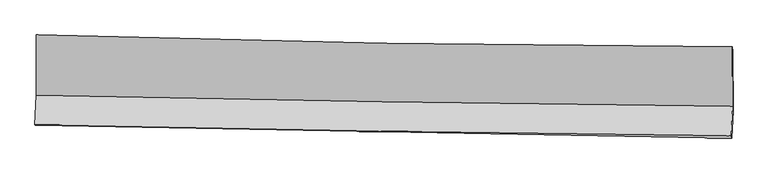
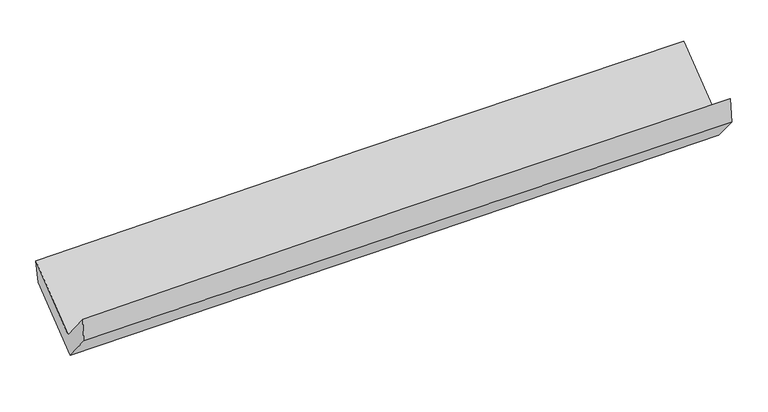
"""IFC4 building model written with IfcOpenShell, lengths in millimetres: proxy geometry."""

from ifc_helpers import new_model, si_unit, frame, origin, place, context, project, spatial, source, transform, mapped, element, save
from ifc_brep_helpers import plane_surface, spline_curve, spline_surface, advanced_brep


def generic_models_886347ba(model_context):
    return source(origin(), model_context, "Body", "AdvancedBrep", [
        advanced_brep(
        [(-3030.7824988, -1152.0403234, 2165.5788056), (-3029.12657, -1676.0812704, 1743.7526516), (3019.2996104, -1773.364547, 1894.0160342), (3016.3945844, -1254.9247667, 2302.4419823), (-3040.8208554, -1933.9256237, 2060.0164797), (3007.8471063, -2028.2223982, 2203.0026072), (-3035.7810283, -1938.4529217, 1845.9290527), (3013.2802336, -2047.6116512, 1977.0054827), (-3025.0826417, -1704.1780724, 1555.514889), (3023.654958, -1810.4018273, 1700.683799), (-3026.5203943, -1181.8987534, 1967.0200165), (3020.7304874, -1288.4918965, 2111.8435256)],
        [
            (0, 1),
            (1, 2, spline_curve(3, [(-3029.12657, -1676.0812704, 1743.7526516), (-2021.422299352, -1698.338570854, 1781.396965881), (-1013.518535334, -1717.574323187, 1812.741270442), (1002.623550054, -1750.00169615, 1862.828259157), (2010.861846303, -1763.193702512, 1881.571748894), (3019.2996104, -1773.364547, 1894.0160342)], [4, 2, 4], [0.0, 9.925832840295326, 19.851031312719044])),
            (2, 3),
            (3, 0, spline_curve(3, [(3016.3945844, -1254.9247667, 2302.4419823), (2007.906480027, -1251.305307519, 2299.052121743), (999.747097349, -1240.922364422, 2285.952601296), (-1015.978639125, -1206.628414866, 2240.332783458), (-2023.544951069, -1182.716543221, 2207.811245124), (-3030.7824988, -1152.0403234, 2165.5788056)], [4, 2, 4], [0.0, 9.925198472423718, 19.851031312719044])),
            (1, 4),
            (4, 5, spline_curve(3, [(-3040.8208554, -1933.9256237, 2060.0164797), (-2033.085670841, -1955.05792774, 2097.173601189), (-1025.146300677, -1973.482308903, 2127.667840168), (991.07637962, -2004.914220845, 2175.329031351), (1999.359663131, -2017.922098072, 2192.496834506), (3007.8471063, -2028.2223982, 2203.0026072)], [4, 2, 4], [0.0, 9.926877333696106, 19.8531202327662])),
            (5, 2),
            (4, 6),
            (6, 7, spline_curve(3, [(-3035.7810283, -1938.4529217, 1845.9290527), (-2027.707152462, -1956.212132557, 1873.064938562), (-1019.565665097, -1974.188596488, 1897.556181663), (996.788097252, -2010.574867337, 1941.247986904), (2005.000364003, -2028.984646772, 1960.448887118), (3013.2802336, -2047.6116512, 1977.0054827)], [4, 2, 4], [0.0, 9.92705684641749, 19.853479246736164])),
            (7, 5),
            (6, 8),
            (8, 9, spline_curve(3, [(-3025.0826417, -1704.1780724, 1555.514889), (-2016.957822974, -1722.426445608, 1580.301730045), (-1008.817838665, -1740.402885781, 1604.792936967), (1007.428030068, -1775.81076951, 1653.182535875), (2015.533911917, -1793.242247277, 1677.080965628), (3023.654958, -1810.4018273, 1700.683799)], [4, 2, 4], [0.0, 9.927223541669981, 19.853812626587523])),
            (9, 7),
            (8, 10),
            (10, 11, spline_curve(3, [(-3026.5203943, -1181.8987534, 1967.0200165), (-2018.616361783, -1200.134809279, 1991.808496441), (-1010.710667965, -1218.13587559, 2016.271737641), (1005.039626004, -1253.666893165, 2064.54619908), (2012.884226161, -1271.19687466, 2088.357461174), (3020.7304874, -1288.4918965, 2111.8435256)], [4, 2, 4], [0.0, 9.925954118169951, 19.851273860717328])),
            (11, 9),
            (10, 0),
            (3, 11),
        ],
        [
            spline_surface(3, 3, [[(-3030.7824988, -1152.0403234, 2165.5788056), (-2023.544950953, -1182.716543281, 2207.81124502), (-1015.978639099, -1206.628414729, 2240.332783532), (999.747097323, -1240.922364559, 2285.952601222), (2007.906479869, -1251.305307547, 2299.052121583), (3016.3945844, -1254.9247667, 2302.4419823)], [(-3030.230522527, -1326.720639057, 2024.970087627), (-2022.837400413, -1354.590552479, 2065.67315197), (-1015.158604551, -1376.943717628, 2097.80227911), (1000.705914936, -1410.615475067, 2144.911153884), (2008.891602046, -1421.934772496, 2159.891997375), (3017.362926391, -1427.738026786, 2166.299999605)], [(-3029.678546273, -1501.400954743, 1884.361369573), (-2022.129849892, -1526.464561705, 1923.535058838), (-1014.338569997, -1547.259020442, 1955.271774751), (1001.664732555, -1580.308585489, 2003.869706608), (2009.876724251, -1592.564237486, 2020.731873153), (3018.331268409, -1600.551286914, 2030.158016895)], [(-3029.12657, -1676.0812704, 1743.7526516), (-2021.422299353, -1698.338570903, 1781.396965788), (-1013.518535449, -1717.574323341, 1812.74127033), (1002.623550168, -1750.001695996, 1862.82825927), (2010.861846428, -1763.193702435, 1881.571748945), (3019.2996104, -1773.364547, 1894.0160342)]], [4, 4], [4, 2, 4], [0.0, 2.178856982658392], [0.0, 9.925832840295326, 19.851031312719044]),
            spline_surface(3, 3, [[(-3029.12657, -1676.0812704, 1743.7526516), (-2021.422299353, -1698.338570903, 1781.396965788), (-1013.518535449, -1717.574323341, 1812.74127033), (1002.623550168, -1750.001695996, 1862.82825927), (2010.861846428, -1763.193702435, 1881.571748945), (3019.2996104, -1773.364547, 1894.0160342)], [(-3033.024665127, -1762.029388181, 1849.173927613), (-2025.31008979, -1783.911689857, 1886.655844217), (-1017.39445713, -1802.876985178, 1917.716793668), (998.774493273, -1834.972537621, 1966.995183251), (2007.027785365, -1848.103167603, 1985.213444122), (3015.482109035, -1858.317164059, 1997.011558526)], [(-3036.922760273, -1847.977505919, 1954.595203687), (-2029.197880247, -1869.484808768, 1991.914722706), (-1021.270378836, -1888.179647028, 2022.692316986), (994.925436355, -1919.943379259, 2071.162107214), (2003.193724298, -1933.012632794, 2088.855139321), (3011.664607665, -1943.269781141, 2100.007082874)], [(-3040.8208554, -1933.9256237, 2060.0164797), (-2033.085670685, -1955.057927722, 2097.173601135), (-1025.146300517, -1973.482308865, 2127.667840324), (991.076379461, -2004.914220884, 2175.329031195), (1999.359663235, -2017.922097962, 2192.496834498), (3007.8471063, -2028.2223982, 2203.0026072)]], [4, 4], [4, 2, 4], [0.0, 1.3277677016308846], [0.0, 9.926877333696106, 19.8531202327662]),
            spline_surface(3, 3, [[(-3040.8208554, -1933.9256237, 2060.0164797), (-2033.085670685, -1955.057927722, 2097.173601135), (-1025.146300517, -1973.482308865, 2127.667840324), (991.076379461, -2004.914220884, 2175.329031195), (1999.359663235, -2017.922097962, 2192.496834498), (3007.8471063, -2028.2223982, 2203.0026072)], [(-3039.140913059, -1935.434723014, 1988.654004033), (-2031.292831346, -1955.442662652, 2022.470713563), (-1023.286088779, -1973.71773804, 2050.963954097), (992.980285408, -2006.801103038, 2097.302016447), (2001.23989681, -2021.609614218, 2115.147518681), (3009.658148724, -2034.685482559, 2127.670232366)], [(-3037.460970641, -1936.943822386, 1917.291528367), (-2029.499991931, -1955.827397638, 1947.767825992), (-1021.425876963, -1973.95316726, 1974.260067856), (994.884191432, -2008.687985236, 2019.275001684), (2003.120130411, -2025.297130397, 2037.798202866), (3011.469191176, -2041.148566841, 2052.337857534)], [(-3035.7810283, -1938.4529217, 1845.9290527), (-2027.707152593, -1956.212132568, 1873.064938419), (-1019.565665225, -1974.188596436, 1897.55618163), (996.788097379, -2010.574867389, 1941.247986936), (2005.000363987, -2028.984646653, 1960.44888705), (3013.2802336, -2047.6116512, 1977.0054827)]], [4, 4], [4, 2, 4], [0.0, 0.7617674346137454], [0.0, 9.92705684641749, 19.853479246736164]),
            spline_surface(3, 3, [[(-3035.7810283, -1938.4529217, 1845.9290527), (-2027.707152593, -1956.212132568, 1873.064938419), (-1019.565665225, -1974.188596436, 1897.55618163), (996.788097379, -2010.574867389, 1941.247986936), (2005.000363987, -2028.984646653, 1960.44888705), (3013.2802336, -2047.6116512, 1977.0054827)], [(-3032.214899425, -1860.361305268, 1749.124331468), (-2024.124042726, -1878.283570241, 1775.477202317), (-1015.983056323, -1896.26002627, 1799.9684334), (1000.334741586, -1932.320168082, 1845.226169895), (2008.511546698, -1950.403846885, 1865.992913244), (3016.738475094, -1968.541709871, 1884.89825479)], [(-3028.648770575, -1782.269688832, 1652.319610232), (-2020.540932884, -1800.355007909, 1677.889466212), (-1012.40044746, -1818.331456047, 1702.380685214), (1003.881385754, -1854.065468717, 1749.204352899), (2012.022729329, -1871.823047205, 1771.536939467), (3020.196716506, -1889.471768629, 1792.79102691)], [(-3025.0826417, -1704.1780724, 1555.514889), (-2016.957823017, -1722.426445581, 1580.301730109), (-1008.817838559, -1740.402885881, 1604.792936984), (1007.428029961, -1775.81076941, 1653.182535858), (2015.53391204, -1793.242247437, 1677.080965661), (3023.654958, -1810.4018273, 1700.683799)]], [4, 4], [4, 2, 4], [0.0, 1.2246793758056085], [0.0, 9.927223541669981, 19.853812626587523]),
            spline_surface(3, 3, [[(-3025.0826417, -1704.1780724, 1555.514889), (-2016.957823017, -1722.426445581, 1580.301730109), (-1008.817838559, -1740.402885881, 1604.792936984), (1007.428029961, -1775.81076941, 1653.182535858), (2015.53391204, -1793.242247437, 1677.080965661), (3023.654958, -1810.4018273, 1700.683799)], [(-3025.561892565, -1530.084966079, 1692.683264842), (-2017.510669289, -1548.329233492, 1717.470652266), (-1009.44878172, -1566.313882412, 1741.952537206), (1006.631895333, -1601.762810644, 1790.303756936), (2014.650683411, -1619.22712318, 1814.173130792), (3022.680134461, -1636.431850366, 1837.737041195)], [(-3026.041143435, -1355.991859721, 1829.851640658), (-2018.063515566, -1374.232021368, 1854.639574397), (-1010.079724878, -1392.224879027, 1879.112137417), (1005.835760708, -1427.714851963, 1927.424978004), (2013.767454798, -1445.211998924, 1951.265295938), (3021.705310939, -1462.461873434, 1974.790283405)], [(-3026.5203943, -1181.8987534, 1967.0200165), (-2018.616361837, -1200.134809279, 1991.808496554), (-1010.71066804, -1218.135875558, 2016.271737639), (1005.039626079, -1253.666893197, 2064.546199082), (2012.884226168, -1271.196874668, 2088.357461069), (3020.7304874, -1288.4918965, 2111.8435256)]], [4, 4], [4, 2, 4], [0.0, 2.1811307497611025], [0.0, 9.925954118169951, 19.851273860717328]),
            spline_surface(3, 3, [[(-3026.5203943, -1181.8987534, 1967.0200165), (-2018.616361837, -1200.134809279, 1991.808496554), (-1010.71066804, -1218.135875558, 2016.271737639), (1005.039626079, -1253.666893197, 2064.546199082), (2012.884226168, -1271.196874668, 2088.357461069), (3020.7304874, -1288.4918965, 2111.8435256)], [(-3027.941095797, -1171.945943401, 2033.206279518), (-2020.259224873, -1194.328720613, 2063.809412694), (-1012.466658386, -1214.300055282, 2090.958752958), (1003.275449835, -1249.418716985, 2138.34833315), (2011.224977397, -1264.566352319, 2158.589014591), (3019.285186396, -1277.302853258, 2175.376344518)], [(-3029.361797303, -1161.993133399, 2099.392542582), (-2021.902087917, -1188.522631947, 2135.81032888), (-1014.222648753, -1210.464235005, 2165.645768213), (1001.511273568, -1245.170540772, 2212.150467154), (2009.565728639, -1257.935829896, 2228.820568061), (3017.839885404, -1266.113809942, 2238.909163382)], [(-3030.7824988, -1152.0403234, 2165.5788056), (-2023.544950953, -1182.716543281, 2207.81124502), (-1015.978639099, -1206.628414729, 2240.332783532), (999.747097323, -1240.922364559, 2285.952601222), (2007.906479869, -1251.305307547, 2299.052121583), (3016.3945844, -1254.9247667, 2302.4419823)]], [4, 4], [4, 2, 4], [0.0, 0.7320411056288135], [0.0, 9.924647362094671, 19.84866043208259]),
            plane_surface(frame((3016.86783, -1700.5028478, 2031.4989052), z_axis=(0.9995787556234175, -0.014296474418510584, 0.02525712029391265), x_axis=(-0.004401554502706549, 0.7855148185740586, 0.6188271940683632))),
            plane_surface(frame((-3031.3523314, -1597.7628275, 1889.6353158), z_axis=(-0.9995861077533926, 0.01605613494098614, -0.023870771189465515), x_axis=(0.021221766554220617, -0.14867036514315116, -0.9886590712437329))),
        ],
        [
            (0, [[1, 2, 3, 4]]),
            (1, [[5, 6, 7, -2]]),
            (2, [[8, 9, 10, -6]]),
            (3, [[11, 12, 13, -9]]),
            (4, [[14, 15, 16, -12]]),
            (5, [[17, -4, 18, -15]]),
            (6, [[-16, -18, -3, -7, -10, -13]]),
            (7, [[-17, -14, -11, -8, -5, -1]]),
        ],
    ),
    ])


if __name__ == "__main__":
    model = new_model("IFC4")
    model_context = context("Model", 3, world=origin())
    ifc_project = project(units=[si_unit("LENGTHUNIT", "METRE", prefix="MILLI")], contexts=[model_context])
    site = spatial("IfcSite", under=ifc_project)
    building = spatial("IfcBuilding", under=site)
    placement = place(None, origin())
    generic_models_shape = generic_models_886347ba(model_context)
    element("IfcBuildingElementProxy", 1, Name="Generic Models", at=placement, inside=building, context=model_context, shape_type="MappedRepresentation", body=[
        mapped(generic_models_shape, transform((0.0, 0.0, 0.0), x_axis=(1.0, 0.0, 0.0), y_axis=(0.0, 1.0, 0.0), z_axis=(0.0, 0.0, 1.0))),
    ])
    save(model, "model.ifc")
